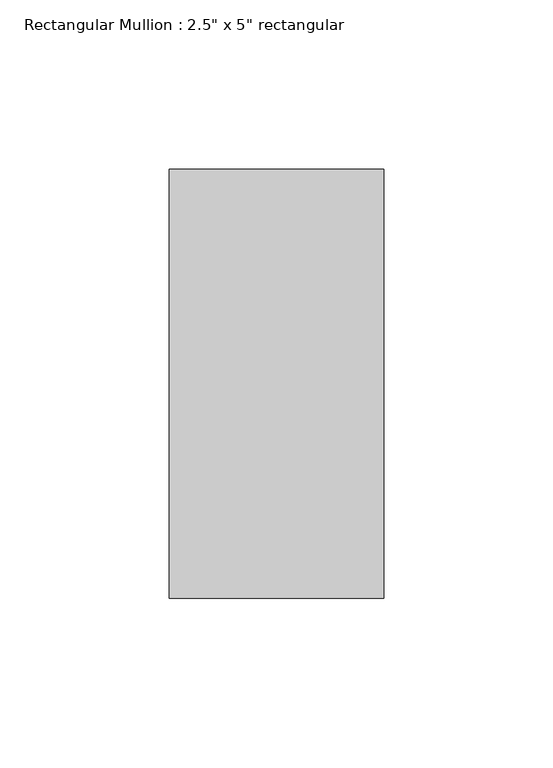
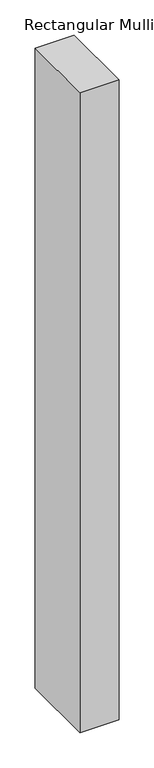
"""IFC4 building model written with IfcOpenShell, lengths in millimetres: member geometry."""

import ifcopenshell
import ifcopenshell.guid

model = None  # the IFC model being written
_history = None  # IfcOwnerHistory: only IFC2X3 demands one
_inside = {}  # id of a spatial element -> (the spatial element, [elements in it])
_under = {}  # id of a project, library or spatial element -> (it, [spatial elements below it])
_declared = {}  # id of a project -> (the project, [libraries it declares])
_typed = {}  # id of a type object -> (the type object, [elements of that type])
_made_of = {}  # id of a material, layer set ... -> (it, [elements and type objects made of it])


def new_model(schema):
    """Start an empty IFC model of exactly this schema.

    Asked for "IFC4X3", IfcOpenShell would pick the latest addendum, in which some entities
    have other attributes; the version numbers below select the first issue.
    IFC2X3 requires an IfcOwnerHistory on every rooted entity: one is made here for all.
    """
    global model, _history
    if schema == "IFC4X3":
        model = ifcopenshell.file(schema_version=(4, 3, 0, 0))
    else:
        model = ifcopenshell.file(schema=schema)
    _inside.clear()
    _under.clear()
    _declared.clear()
    _typed.clear()
    _made_of.clear()
    _history = None
    if model.schema == "IFC2X3":
        org = make("IfcOrganization", Name="unknown")
        user = make(
            "IfcPersonAndOrganization",
            ThePerson=make("IfcPerson", FamilyName="unknown"),
            TheOrganization=org,
        )
        app = make(
            "IfcApplication",
            ApplicationDeveloper=org,
            Version="unknown",
            ApplicationFullName="unknown",
            ApplicationIdentifier="unknown",
        )
        _history = make(
            "IfcOwnerHistory",
            OwningUser=user,
            OwningApplication=app,
            ChangeAction="ADDED",
            CreationDate=0,
        )
    return model


def make(cls, **values):
    """One entity of the class cls with the attributes given. An attribute that is None is left unset."""
    return model.create_entity(
        cls, **{name: value for name, value in values.items() if value is not None}
    )


def rooted(cls, **values):
    """An entity with a GlobalId (a new one), such as an element, a storey or a relation."""
    return make(cls, GlobalId=ifcopenshell.guid.new(), OwnerHistory=_history, **values)


def si_unit(unit_type, name, prefix=None):
    """IfcSIUnit, for example si_unit("LENGTHUNIT", "METRE", prefix="MILLI")."""
    return make("IfcSIUnit", UnitType=unit_type, Prefix=prefix, Name=name)


def assignment(units):
    """IfcUnitAssignment: the units of a project."""
    return None if units is None else make("IfcUnitAssignment", Units=units)


def point(xyz):
    """IfcCartesianPoint."""
    return None if xyz is None else make("IfcCartesianPoint", Coordinates=xyz)


def direction(xyz):
    """IfcDirection."""
    return None if xyz is None else make("IfcDirection", DirectionRatios=xyz)


def frame(location, z_axis=None, x_axis=None):
    """IfcAxis2Placement3D, a coordinate frame: its origin and axes. An axis left out is left unset."""
    return make(
        "IfcAxis2Placement3D",
        Location=point(location),
        Axis=direction(z_axis),
        RefDirection=direction(x_axis),
    )


def origin():
    """The frame at (0, 0, 0) with its axes left unset."""
    return frame((0.0, 0.0, 0.0))


def place(relative_to, where):
    """IfcLocalPlacement: puts the frame where relative to a parent placement (None: the world)."""
    return make(
        "IfcLocalPlacement", PlacementRelTo=relative_to, RelativePlacement=where
    )


def context(
    kind, dimensions, precision=None, world=None, true_north=None, identifier=None
):
    """IfcGeometricRepresentationContext, for example the 3D "Model" context."""
    return make(
        "IfcGeometricRepresentationContext",
        ContextIdentifier=identifier,
        ContextType=kind,
        CoordinateSpaceDimension=dimensions,
        Precision=precision,
        WorldCoordinateSystem=world,
        TrueNorth=true_north,
    )


def project(units=None, contexts=None):
    """IfcProject with its units and contexts."""
    return rooted(
        "IfcProject",
        Name="project",
        RepresentationContexts=contexts,
        UnitsInContext=assignment(units),
    )


def spatial(cls, under=None, at=None, **own):
    """A site, building, storey or space (cls), placed at a placement, below another one or the project."""
    s = rooted(cls, ObjectPlacement=at, **own)
    if under is not None:
        _under.setdefault(under.id(), (under, []))[1].append(s)
    return s


def polyline(points):
    """IfcPolyline through the points."""
    return make("IfcPolyline", Points=[point(p) for p in points])


def outline(outer, holes=None, kind="AREA"):
    """IfcArbitraryClosedProfileDef: a profile drawn as a closed curve; with holes, ...WithVoids."""
    if holes is None:
        return make("IfcArbitraryClosedProfileDef", ProfileType=kind, OuterCurve=outer)
    return make(
        "IfcArbitraryProfileDefWithVoids",
        ProfileType=kind,
        OuterCurve=outer,
        InnerCurves=holes,
    )


def extrude(swept, where, along, depth):
    """IfcExtrudedAreaSolid: the profile swept, set in the frame where, extruded along a direction by depth."""
    return make(
        "IfcExtrudedAreaSolid",
        SweptArea=swept,
        Position=where,
        ExtrudedDirection=direction(along),
        Depth=depth,
    )


def shape(context_of_items, identifier, shape_type, items):
    """IfcShapeRepresentation: the items that make up one representation, for example the "Body"."""
    return make(
        "IfcShapeRepresentation",
        ContextOfItems=context_of_items,
        RepresentationIdentifier=identifier,
        RepresentationType=shape_type,
        Items=items,
    )


def source(mapping_origin, context_of_items, identifier, shape_type, items):
    """IfcRepresentationMap: a shape defined once, which mapped items show again and again."""
    return make(
        "IfcRepresentationMap",
        MappingOrigin=mapping_origin,
        MappedRepresentation=shape(context_of_items, identifier, shape_type, items),
    )


def transform(
    local_origin,
    x_axis=None,
    y_axis=None,
    z_axis=None,
    scale=None,
    scale2=None,
    scale3=None,
    uniform=True,
):
    """IfcCartesianTransformationOperator3D, or its non-uniform kind. x_axis, y_axis, z_axis: its Axis1, 2, 3."""
    if uniform:
        return make(
            "IfcCartesianTransformationOperator3D",
            Axis1=direction(x_axis),
            Axis2=direction(y_axis),
            LocalOrigin=point(local_origin),
            Scale=scale,
            Axis3=direction(z_axis),
        )
    return make(
        "IfcCartesianTransformationOperator3DnonUniform",
        Axis1=direction(x_axis),
        Axis2=direction(y_axis),
        LocalOrigin=point(local_origin),
        Scale=scale,
        Axis3=direction(z_axis),
        Scale2=scale2,
        Scale3=scale3,
    )


def mapped(mapping_source, mapping_target):
    """IfcMappedItem: shows the shape of a source again, moved by a transform."""
    return make(
        "IfcMappedItem", MappingSource=mapping_source, MappingTarget=mapping_target
    )


def made_of(thing, what):
    """Note that an element or type object is made of a material, layer set ...; save() writes the relation."""
    if what is not None:
        _made_of.setdefault(what.id(), (what, []))[1].append(thing)
    return thing


def element(
    cls,
    number,
    at=None,
    inside=None,
    cuts=None,
    type_object=None,
    material=None,
    context=None,
    identifier="Body",
    shape_type=None,
    held_by="IfcProductDefinitionShape",
    body=None,
    shapes=None,
    **own,
):
    """One element of the class cls, such as IfcWall. Its Tag is "e" and its number.

    at: its placement. inside: the storey or other place that contains it. cuts: it is an
    opening in that element (IfcRelVoidsElement). A single representation is given by context,
    identifier, shape_type and body (its items); several are given by shapes. held_by: the class
    of the entity that holds the representations. save() writes the other relations.
    """
    e = rooted(cls, Tag="e%d" % number, ObjectPlacement=at, **own)
    if body is not None:
        shapes = [shape(context, identifier, shape_type, body)]
    if shapes is not None:
        e.Representation = make(held_by, Representations=shapes)
    if inside is not None:
        _inside.setdefault(inside.id(), (inside, []))[1].append(e)
    if cuts is not None:
        rooted(
            "IfcRelVoidsElement", RelatingBuildingElement=cuts, RelatedOpeningElement=e
        )
    if type_object is not None:
        _typed.setdefault(type_object.id(), (type_object, []))[1].append(e)
    return made_of(e, material)


def aggregate(whole, parts):
    """IfcRelAggregates: a whole, such as a stair, and the parts it consists of."""
    return rooted("IfcRelAggregates", RelatingObject=whole, RelatedObjects=parts)


def save(model, path):
    """Write the relations noted so far, then the file.

    IfcRelAggregates (storeys below a building ...), IfcRelContainedInSpatialStructure (elements
    in a storey), IfcRelDefinesByType, IfcRelAssociatesMaterial and IfcRelDeclares: one each for
    every whole, place, type object, material and project.
    """
    for whole, parts in _under.values():
        aggregate(whole, parts)
    for where, things in _inside.values():
        rooted(
            "IfcRelContainedInSpatialStructure",
            RelatedElements=things,
            RelatingStructure=where,
        )
    for kind, things in _typed.values():
        rooted("IfcRelDefinesByType", RelatedObjects=things, RelatingType=kind)
    for what, things in _made_of.values():
        rooted("IfcRelAssociatesMaterial", RelatedObjects=things, RelatingMaterial=what)
    for by, libraries in _declared.values():
        rooted("IfcRelDeclares", RelatingContext=by, RelatedDefinitions=libraries)
    model.write(path)


def member_766f1680(model_context):
    return source(origin(), model_context, "Body", "SweptSolid", [
        extrude(outline(polyline([(31.75, 63.5), (31.75, -63.5), (-31.75, -63.5), (-31.75, 63.5), (31.75, 63.5)])), frame((0.0, 0.0, -1104.8999998), z_axis=(0.0, 0.0, 1.0), x_axis=(1.0, 0.0, 0.0)), (0.0, 0.0, 1.0), 1104.8999998),
    ])


if __name__ == "__main__":
    model = new_model("IFC4")
    model_context = context("Model", 3, world=origin())
    ifc_project = project(units=[si_unit("LENGTHUNIT", "METRE", prefix="MILLI")], contexts=[model_context])
    site = spatial("IfcSite", under=ifc_project)
    building = spatial("IfcBuilding", under=site)
    placement = place(None, origin())
    member_shape = member_766f1680(model_context)
    element("IfcMember", 1, ObjectType="Rectangular Mullion : 2.5\" x 5\" rectangular", at=placement, inside=building, context=model_context, shape_type="MappedRepresentation", body=[
        mapped(member_shape, transform((0.0, 0.0, 0.0), x_axis=(1.0, 0.0, 0.0), y_axis=(0.0, 1.0, 0.0), z_axis=(0.0, 0.0, 1.0))),
    ])
    save(model, "model.ifc")
